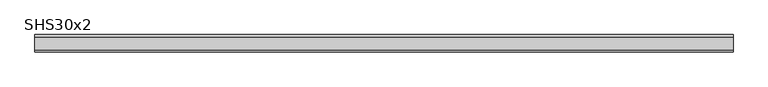
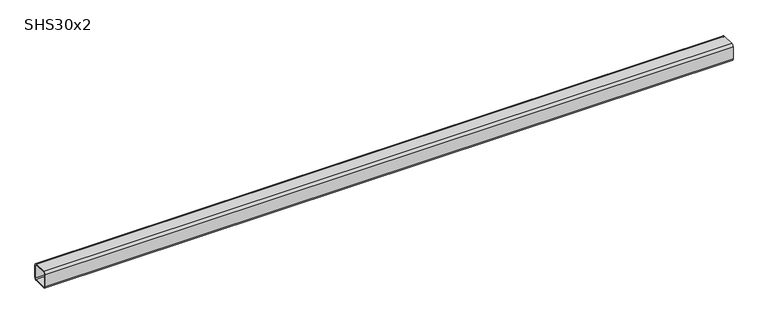
"""IFC4 building model written with IfcOpenShell, lengths in millimetres: beam geometry, SHS30x2."""

from ifc_helpers import new_model, si_unit, point, frame, frame_2d, origin, place, context, project, spatial, polyline, circle_curve, trimmed, segment, composite_curve, outline, extrude, source, transform, mapped, element, save


def shs30x2_2b184847(model_context):
    return source(origin(), model_context, "Body", "SweptSolid", [
        extrude(outline(composite_curve([segment(polyline([(15.0, 11.0), (15.0, -11.0)]), True, "CONTINUOUS"), segment(trimmed(circle_curve(frame_2d((11.0, -11.0)), 4.0), [point((15.0, -11.0))], [point((11.0, -15.0))], False, "CARTESIAN"), True, "CONTINUOUS"), segment(polyline([(11.0, -15.0), (-11.0, -15.0)]), True, "CONTINUOUS"), segment(trimmed(circle_curve(frame_2d((-11.0, -11.0)), 4.0), [point((-11.0, -15.0))], [point((-15.0, -11.0))], False, "CARTESIAN"), True, "CONTINUOUS"), segment(polyline([(-15.0, -11.0), (-15.0, 11.0)]), True, "CONTINUOUS"), segment(trimmed(circle_curve(frame_2d((-11.0, 11.0)), 4.0), [point((-15.0, 11.0))], [point((-11.0, 15.0))], False, "CARTESIAN"), True, "CONTINUOUS"), segment(polyline([(-11.0, 15.0), (11.0, 15.0)]), True, "CONTINUOUS"), segment(trimmed(circle_curve(frame_2d((11.0, 11.0)), 4.0), [point((11.0, 15.0))], [point((15.0, 11.0))], False, "CARTESIAN"), True, "CONTINUOUS")], self_intersect=False), holes=[composite_curve([segment(trimmed(circle_curve(frame_2d((-11.0, 11.0)), 2.0), [point((-11.0, 13.0))], [point((-13.0, 11.0))], True, "CARTESIAN"), True, "CONTINUOUS"), segment(polyline([(-13.0, 11.0), (-13.0, -11.0)]), True, "CONTINUOUS"), segment(trimmed(circle_curve(frame_2d((-11.0, -11.0)), 2.0), [point((-13.0, -11.0))], [point((-11.0, -13.0))], True, "CARTESIAN"), True, "CONTINUOUS"), segment(polyline([(-11.0, -13.0), (11.0, -13.0)]), True, "CONTINUOUS"), segment(trimmed(circle_curve(frame_2d((11.0, -11.0)), 2.0), [point((11.0, -13.0))], [point((13.0, -11.0))], True, "CARTESIAN"), True, "CONTINUOUS"), segment(polyline([(13.0, -11.0), (13.0, 11.0)]), True, "CONTINUOUS"), segment(trimmed(circle_curve(frame_2d((11.0, 11.0)), 2.0), [point((13.0, 11.0))], [point((11.0, 13.0))], True, "CARTESIAN"), True, "CONTINUOUS"), segment(polyline([(11.0, 13.0), (-11.0, 13.0)]), True, "CONTINUOUS")], self_intersect=False)]), frame((-625.0, 0.0, 0.0), z_axis=(1.0, 0.0, 0.0), x_axis=(0.0, 1.0, 0.0)), (0.0, 0.0, 1.0), 1199.0),
    ])


if __name__ == "__main__":
    model = new_model("IFC4")
    model_context = context("Model", 3, world=origin())
    ifc_project = project(units=[si_unit("LENGTHUNIT", "METRE", prefix="MILLI")], contexts=[model_context])
    site = spatial("IfcSite", under=ifc_project)
    building = spatial("IfcBuilding", under=site)
    placement = place(None, origin())
    shs30x2_shape = shs30x2_2b184847(model_context)
    element("IfcBeam", 1, ObjectType="SHS30x2", at=placement, inside=building, context=model_context, shape_type="MappedRepresentation", body=[
        mapped(shs30x2_shape, transform((0.0, 0.0, 0.0), x_axis=(1.0, 0.0, 0.0), y_axis=(0.0, 1.0, 0.0), z_axis=(0.0, 0.0, 1.0))),
    ])
    save(model, "model.ifc")
